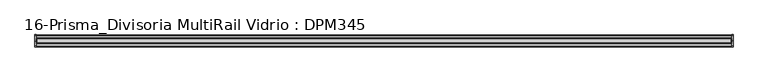
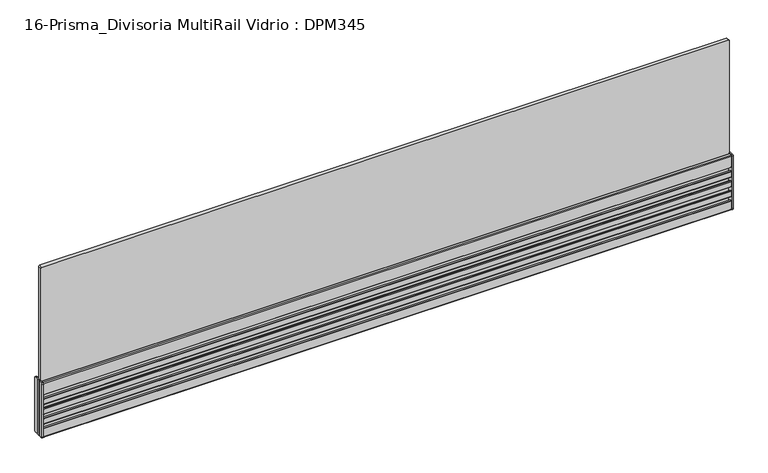
"""IFC4 building model written with IfcOpenShell, lengths in millimetres: furniture geometry, 16-Prisma_Divisoria MultiRail Vidrio : DPM345."""

from ifc_helpers import new_model, si_unit, point, frame, frame_2d, origin, place, context, project, spatial, polyline, circle_curve, trimmed, segment, composite_curve, outline, extrude, source, transform, mapped, element, save
from ifc_brep_helpers import plane_surface, cylinder_surface, revolved_surface, advanced_brep


def furniture_16_prisma_divisoria_multirail_vidrio_dpm345_53dc9daa(model_context):
    return source(origin(), model_context, "Body", "SolidModel", [
        advanced_brep(
        [(-747.5, -11.25, 125.5), (-747.5, -13.25, 123.5), (-747.5, -13.25, 2.0), (-747.5, -11.25, 0.0), (-747.5, 0.0, 0.0), (-747.5, 11.25, 0.0), (-747.5, 13.25, 2.0), (-747.5, 13.25, 123.5), (-747.5, 11.25, 125.5), (-747.5, 0.0, 125.5), (-750.5, 11.25, 125.5), (-750.5, 13.25, 123.5), (-750.5, 13.25, 2.0), (-750.5, 11.25, 0.0), (-750.5, 5.25, 0.0), (-750.5, 5.25, 125.5), (-750.5, -11.25, 0.0), (-750.5, -13.25, 2.0), (-750.5, -13.25, 123.5), (-750.5, -11.25, 125.5), (-750.5, -5.25, 125.5), (-750.5, -5.25, 0.0), (-750.5, -3.75, 125.5), (-750.5, 0.0, 125.5), (-750.5, 3.75, 125.5), (-750.5, 3.75, 0.0), (-750.5, 0.0, 0.0), (-750.5, -3.75, 0.0)],
        [
            (0, 1, circle_curve(frame((-747.5, -11.25, 123.5), z_axis=(1.0, 0.0, 0.0), x_axis=(0.0, 1.0, 0.0)), 2.0)),
            (1, 2),
            (2, 3, circle_curve(frame((-747.5, -11.25, 2.0), z_axis=(1.0, 0.0, 0.0), x_axis=(0.0, 1.0, 0.0)), 2.0)),
            (3, 4),
            (4, 5),
            (5, 6, circle_curve(frame((-747.5, 11.25, 2.0), z_axis=(1.0, 0.0, 0.0), x_axis=(0.0, -1.0, 0.0)), 2.0)),
            (6, 7),
            (7, 8, circle_curve(frame((-747.5, 11.25, 123.5), z_axis=(1.0, 0.0, 0.0), x_axis=(0.0, -1.0, 0.0)), 2.0)),
            (8, 9),
            (9, 0),
            (10, 11, circle_curve(frame((-750.5, 11.25, 123.5), z_axis=(-1.0, 0.0, 0.0), x_axis=(0.0, -1.0, 0.0)), 2.0)),
            (11, 12),
            (12, 13, circle_curve(frame((-750.5, 11.25, 2.0), z_axis=(-1.0, 0.0, 0.0), x_axis=(0.0, -1.0, 0.0)), 2.0)),
            (13, 14),
            (14, 15),
            (15, 10),
            (16, 17, circle_curve(frame((-750.5, -11.25, 2.0), z_axis=(-1.0, 0.0, 0.0), x_axis=(0.0, 1.0, 0.0)), 2.0)),
            (17, 18),
            (18, 19, circle_curve(frame((-750.5, -11.25, 123.5), z_axis=(-1.0, 0.0, 0.0), x_axis=(0.0, 1.0, 0.0)), 2.0)),
            (19, 20),
            (20, 21),
            (21, 16),
            (22, 23),
            (23, 24),
            (24, 25),
            (25, 26),
            (26, 27),
            (27, 22),
            (0, 19),
            (18, 1),
            (17, 2),
            (16, 3),
            (21, 27, circle_curve(frame((-751.1614378, -4.5, 0.0), z_axis=(0.0, 0.0, 1.0), x_axis=(0.0, 1.0, 0.0)), 1.0)),
            (26, 4),
            (25, 14, circle_curve(frame((-751.1614378, 4.5, 0.0), z_axis=(0.0, 0.0, 1.0), x_axis=(0.0, 1.0, 0.0)), 1.0)),
            (13, 5),
            (12, 6),
            (11, 7),
            (10, 8),
            (15, 24, circle_curve(frame((-751.1614378, 4.5, 125.5), z_axis=(0.0, 0.0, -1.0), x_axis=(0.0, 1.0, 0.0)), 1.0)),
            (23, 9),
            (22, 20, circle_curve(frame((-751.1614378, -4.5, 125.5), z_axis=(0.0, 0.0, -1.0), x_axis=(0.0, 1.0, 0.0)), 1.0)),
        ],
        [
            plane_surface(frame((-747.5, -9.25, 123.5), z_axis=(1.0, 0.0, 0.0), x_axis=(0.0, 0.0, 1.0))),
            plane_surface(frame((-750.5, -9.25, 123.5), z_axis=(-1.0, 0.0, 0.0), x_axis=(0.0, 0.0, -1.0))),
            cylinder_surface(frame((-750.5, -11.25, 123.5), z_axis=(1.0, 0.0, 0.0), x_axis=(0.0, 1.0, 0.0)), 2.0),
            plane_surface(frame((-747.5, -13.25, 123.5), z_axis=(0.0, -1.0, 0.0), x_axis=(-1.0, 0.0, 0.0))),
            cylinder_surface(frame((-750.5, -11.25, 2.0), z_axis=(1.0, 0.0, 0.0), x_axis=(0.0, 1.0, 0.0)), 2.0),
            plane_surface(frame((-747.5, -11.25, 0.0), z_axis=(0.0, 0.0, -1.0), x_axis=(-1.0, 0.0, 0.0))),
            plane_surface(frame((-747.5, 0.0, 0.0), z_axis=(0.0, 0.0, -1.0), x_axis=(-1.0, 0.0, 0.0))),
            cylinder_surface(frame((-750.5, 11.25, 2.0), z_axis=(1.0, 0.0, 0.0), x_axis=(0.0, -1.0, 0.0)), 2.0),
            plane_surface(frame((-747.5, 13.25, 2.0), z_axis=(0.0, 1.0, -6.587285038427298e-12), x_axis=(-1.0, 0.0, 0.0))),
            cylinder_surface(frame((-750.5, 11.25, 123.5), z_axis=(1.0, 0.0, 0.0), x_axis=(0.0, -1.0, 0.0)), 2.0),
            plane_surface(frame((-747.5, 11.25, 125.5), z_axis=(0.0, 0.0, 1.0), x_axis=(-1.0, 0.0, 0.0))),
            plane_surface(frame((-747.5, 0.0, 125.5), z_axis=(0.0, 0.0, 1.0), x_axis=(-1.0, 0.0, 0.0))),
            revolved_surface(polyline([(-751.1614378, 5.5, 125.5), (-751.1614378, 5.5, 0.0)]), (-751.1614378, 4.5, -26.25), (0.0, 0.0, 1.0)),
            revolved_surface(polyline([(-751.1614378, -3.5, 125.5), (-751.1614378, -3.5, 0.0)]), (-751.1614378, -4.5, 73.75), (0.0, 0.0, 1.0)),
        ],
        [
            (0, [[1, 2, 3, 4, 5, 6, 7, 8, 9, 10]]),
            (1, [[11, 12, 13, 14, 15, 16]]),
            (1, [[17, 18, 19, 20, 21, 22]]),
            (1, [[23, 24, 25, 26, 27, 28]]),
            (2, [[-1, 29, -19, 30]]),
            (3, [[-2, -30, -18, 31]]),
            (4, [[-3, -31, -17, 32]]),
            (5, [[-4, -32, -22, 33, -27, 34]]),
            (6, [[-5, -34, -26, 35, -14, 36]]),
            (7, [[-6, -36, -13, 37]]),
            (8, [[-7, -37, -12, 38]]),
            (9, [[-8, -38, -11, 39]]),
            (10, [[-9, -39, -16, 40, -24, 41]]),
            (11, [[-10, -41, -23, 42, -20, -29]]),
            (12, [[-15, -35, -25, -40]]),
            (13, [[-28, -33, -21, -42]]),
        ],
    ),
        advanced_brep(
        [(747.5, 11.25, 125.5), (747.5, 13.25, 123.5), (747.5, 13.25, 2.0), (747.5, 11.25, 0.0), (747.5, 0.0, 0.0), (747.5, -11.25, 0.0), (747.5, -13.25, 2.0), (747.5, -13.25, 123.5), (747.5, -11.25, 125.5), (747.5, 0.0, 125.5), (750.5, -11.25, 125.5), (750.5, -13.25, 123.5), (750.5, -13.25, 2.0), (750.5, -11.25, 0.0), (750.5, -5.25, 0.0), (750.5, -5.25, 125.5), (750.5, 11.25, 0.0), (750.5, 13.25, 2.0), (750.5, 13.25, 123.5), (750.5, 11.25, 125.5), (750.5, 5.25, 125.5), (750.5, 5.25, 0.0), (750.5, 3.75, 125.5), (750.5, 0.0, 125.5), (750.5, -3.75, 125.5), (750.5, -3.75, 0.0), (750.5, 0.0, 0.0), (750.5, 3.75, 0.0)],
        [
            (0, 1, circle_curve(frame((747.5, 11.25, 123.5), z_axis=(-1.0, 0.0, 0.0), x_axis=(0.0, -1.0000000000000004, 0.0)), 2.0)),
            (1, 2),
            (2, 3, circle_curve(frame((747.5, 11.25, 2.0), z_axis=(-1.0, 0.0, 0.0), x_axis=(0.0, -1.0000000000000004, 0.0)), 2.0)),
            (3, 4),
            (4, 5),
            (5, 6, circle_curve(frame((747.5, -11.25, 2.0), z_axis=(-1.0, 0.0, 0.0), x_axis=(0.0, 1.0000000000000004, 0.0)), 2.0)),
            (6, 7),
            (7, 8, circle_curve(frame((747.5, -11.25, 123.5), z_axis=(-1.0, 0.0, 0.0), x_axis=(0.0, 1.0000000000000004, 0.0)), 2.0)),
            (8, 9),
            (9, 0),
            (10, 11, circle_curve(frame((750.5, -11.25, 123.5), z_axis=(1.0, 0.0, 0.0), x_axis=(0.0, 1.0000000000000004, 0.0)), 2.0)),
            (11, 12),
            (12, 13, circle_curve(frame((750.5, -11.25, 2.0), z_axis=(1.0, 0.0, 0.0), x_axis=(0.0, 1.0000000000000004, 0.0)), 2.0)),
            (13, 14),
            (14, 15),
            (15, 10),
            (16, 17, circle_curve(frame((750.5, 11.25, 2.0), z_axis=(1.0, 0.0, 0.0), x_axis=(0.0, -1.0000000000000004, 0.0)), 2.0)),
            (17, 18),
            (18, 19, circle_curve(frame((750.5, 11.25, 123.5), z_axis=(1.0, 0.0, 0.0), x_axis=(0.0, -1.0000000000000004, 0.0)), 2.0)),
            (19, 20),
            (20, 21),
            (21, 16),
            (22, 23),
            (23, 24),
            (24, 25),
            (25, 26),
            (26, 27),
            (27, 22),
            (0, 19),
            (18, 1),
            (17, 2),
            (16, 3),
            (21, 27, circle_curve(frame((751.1614378, 4.5, 0.0), z_axis=(0.0, 0.0, 1.0), x_axis=(0.0, -1.0000000000000004, 0.0)), 1.0)),
            (26, 4),
            (25, 14, circle_curve(frame((751.1614378, -4.5, 0.0), z_axis=(0.0, 0.0, 1.0), x_axis=(0.0, -1.0000000000000004, 0.0)), 1.0)),
            (13, 5),
            (12, 6),
            (11, 7),
            (10, 8),
            (15, 24, circle_curve(frame((751.1614378, -4.5, 125.5), z_axis=(0.0, 0.0, -1.0), x_axis=(0.0, -1.0000000000000004, 0.0)), 1.0)),
            (23, 9),
            (22, 20, circle_curve(frame((751.1614378, 4.5, 125.5), z_axis=(0.0, 0.0, -1.0), x_axis=(0.0, -1.0000000000000004, 0.0)), 1.0)),
        ],
        [
            plane_surface(frame((747.5, 9.25, 123.5), z_axis=(-1.0, 0.0, 0.0), x_axis=(0.0, 0.0, 1.0))),
            plane_surface(frame((750.5, 9.25, 123.5), z_axis=(1.0, 0.0, 0.0), x_axis=(0.0, 0.0, -1.0))),
            cylinder_surface(frame((750.5, 11.25, 123.5), z_axis=(-1.0000000000000004, 0.0, 0.0), x_axis=(0.0, -1.0000000000000004, 0.0)), 2.0),
            plane_surface(frame((747.5, 13.25, 123.5), z_axis=(0.0, 1.0, 0.0), x_axis=(1.0, 0.0, 0.0))),
            cylinder_surface(frame((750.5, 11.25, 2.0), z_axis=(-1.0000000000000004, 0.0, 0.0), x_axis=(0.0, -1.0000000000000004, 0.0)), 2.0),
            plane_surface(frame((747.5, 11.25, 0.0), z_axis=(0.0, 0.0, -1.0), x_axis=(1.0, 0.0, 0.0))),
            plane_surface(frame((747.5, 0.0, 0.0), z_axis=(0.0, 0.0, -1.0), x_axis=(1.0, 0.0, 0.0))),
            cylinder_surface(frame((750.5, -11.25, 2.0), z_axis=(-1.0000000000000004, 0.0, 0.0), x_axis=(0.0, 1.0000000000000004, 0.0)), 2.0),
            plane_surface(frame((747.5, -13.25, 2.0), z_axis=(0.0, -1.0, -6.587285038427301e-12), x_axis=(1.0, 0.0, 0.0))),
            cylinder_surface(frame((750.5, -11.25, 123.5), z_axis=(-1.0000000000000004, 0.0, 0.0), x_axis=(0.0, 1.0000000000000004, 0.0)), 2.0),
            plane_surface(frame((747.5, -11.25, 125.5), z_axis=(0.0, 0.0, 1.0), x_axis=(1.0, 0.0, 0.0))),
            plane_surface(frame((747.5, 0.0, 125.5), z_axis=(0.0, 0.0, 1.0), x_axis=(1.0, 0.0, 0.0))),
            revolved_surface(polyline([(751.1614378, -5.5, 125.5), (751.1614378, -5.5, 0.0)]), (751.1614378, -4.5, -26.25), (0.0, 0.0, 1.0)),
            revolved_surface(polyline([(751.1614378, 3.4999999999999996, 125.5), (751.1614378, 3.4999999999999996, 0.0)]), (751.1614378, 4.5, 73.75), (0.0, 0.0, 1.0)),
        ],
        [
            (0, [[1, 2, 3, 4, 5, 6, 7, 8, 9, 10]]),
            (1, [[11, 12, 13, 14, 15, 16]]),
            (1, [[17, 18, 19, 20, 21, 22]]),
            (1, [[23, 24, 25, 26, 27, 28]]),
            (2, [[-1, 29, -19, 30]]),
            (3, [[-2, -30, -18, 31]]),
            (4, [[-3, -31, -17, 32]]),
            (5, [[-4, -32, -22, 33, -27, 34]]),
            (6, [[-5, -34, -26, 35, -14, 36]]),
            (7, [[-6, -36, -13, 37]]),
            (8, [[-7, -37, -12, 38]]),
            (9, [[-8, -38, -11, 39]]),
            (10, [[-9, -39, -16, 40, -24, 41]]),
            (11, [[-10, -41, -23, 42, -20, -29]]),
            (12, [[-15, -35, -25, -40]]),
            (13, [[-28, -33, -21, -42]]),
        ],
    ),
        extrude(outline(composite_curve([segment(trimmed(circle_curve(frame_2d((-12.0, 20.25)), 1.0), [point((-13.0, 20.25))], [point((-12.0, 21.25))], False, "CARTESIAN"), True, "CONTINUOUS"), segment(polyline([(-12.0, 21.25), (-9.2004126, 21.25), (-9.2004126, 15.25), (-1.7500068, 15.25), (-1.7500068, 36.25), (-9.2004126, 36.25), (-9.2004126, 30.25), (-12.0, 30.25)]), True, "CONTINUOUS"), segment(trimmed(circle_curve(frame_2d((-12.0, 31.25)), 1.0), [point((-12.0, 30.25))], [point((-13.0, 31.25))], False, "CARTESIAN"), True, "CONTINUOUS"), segment(polyline([(-13.0, 31.25), (-13.0, 42.75)]), True, "CONTINUOUS"), segment(trimmed(circle_curve(frame_2d((-12.0, 42.75)), 1.0), [point((-13.0, 42.75))], [point((-12.0, 43.75))], False, "CARTESIAN"), True, "CONTINUOUS"), segment(polyline([(-12.0, 43.75), (-9.2004126, 43.75), (-9.2004126, 37.75), (-1.7500068, 37.75), (-1.7500068, 58.75), (-9.2004126, 58.75), (-9.2004126, 52.75), (-12.0, 52.75)]), True, "CONTINUOUS"), segment(trimmed(circle_curve(frame_2d((-12.0, 53.75)), 1.0), [point((-12.0, 52.75))], [point((-13.0, 53.75))], False, "CARTESIAN"), True, "CONTINUOUS"), segment(polyline([(-13.0, 53.75), (-13.0, 65.25)]), True, "CONTINUOUS"), segment(trimmed(circle_curve(frame_2d((-12.0, 65.25)), 1.0), [point((-13.0, 65.25))], [point((-12.0, 66.25))], False, "CARTESIAN"), True, "CONTINUOUS"), segment(polyline([(-12.0, 66.25), (-9.2004126, 66.25), (-9.2004126, 60.25), (-1.7500068, 60.25), (-1.7500068, 81.25), (-9.2004126, 81.25), (-9.2004126, 75.25), (-12.0, 75.25)]), True, "CONTINUOUS"), segment(trimmed(circle_curve(frame_2d((-12.0, 76.25)), 1.0), [point((-12.0, 75.25))], [point((-13.0, 76.25))], False, "CARTESIAN"), True, "CONTINUOUS"), segment(polyline([(-13.0, 76.25), (-13.0, 87.75)]), True, "CONTINUOUS"), segment(trimmed(circle_curve(frame_2d((-12.0, 87.75)), 1.0), [point((-13.0, 87.75))], [point((-12.0, 88.75))], False, "CARTESIAN"), True, "CONTINUOUS"), segment(polyline([(-12.0, 88.75), (-9.2004126, 88.75), (-9.2004126, 82.75), (-1.7500068, 82.75), (-1.7500068, 103.75), (-9.2004126, 103.75), (-9.2004126, 97.75), (-12.0, 97.75)]), True, "CONTINUOUS"), segment(trimmed(circle_curve(frame_2d((-12.0, 98.75)), 1.0), [point((-12.0, 97.75))], [point((-13.0, 98.75))], False, "CARTESIAN"), True, "CONTINUOUS"), segment(polyline([(-13.0, 98.75), (-13.0, 123.25)]), True, "CONTINUOUS"), segment(trimmed(circle_curve(frame_2d((-11.0, 123.25)), 2.0), [point((-13.0, 123.25))], [point((-11.0, 125.25))], False, "CARTESIAN"), True, "CONTINUOUS"), segment(polyline([(-11.0, 125.25), (-6.0, 125.25)]), True, "CONTINUOUS"), segment(trimmed(circle_curve(frame_2d((-6.0, 124.75)), 0.5), [point((-6.0, 125.25))], [point((-5.5, 124.75))], False, "CARTESIAN"), True, "CONTINUOUS"), segment(polyline([(-5.5, 124.75), (-5.5, 105.25), (0.0, 105.25), (5.5, 105.25), (5.5, 124.75)]), True, "CONTINUOUS"), segment(trimmed(circle_curve(frame_2d((6.0, 124.75)), 0.5), [point((5.5, 124.75))], [point((6.0, 125.25))], False, "CARTESIAN"), True, "CONTINUOUS"), segment(polyline([(6.0, 125.25), (11.0, 125.25)]), True, "CONTINUOUS"), segment(trimmed(circle_curve(frame_2d((11.0, 123.25)), 2.0), [point((11.0, 125.25))], [point((13.0, 123.25))], False, "CARTESIAN"), True, "CONTINUOUS"), segment(polyline([(13.0, 123.25), (13.0, 98.75)]), True, "CONTINUOUS"), segment(trimmed(circle_curve(frame_2d((12.0, 98.75)), 1.0), [point((13.0, 98.75))], [point((12.0, 97.75))], False, "CARTESIAN"), True, "CONTINUOUS"), segment(polyline([(12.0, 97.75), (9.2004126, 97.75), (9.2004126, 103.75), (1.7500068, 103.75), (1.7500068, 82.75), (9.2004126, 82.75), (9.2004126, 88.75), (12.0, 88.75)]), True, "CONTINUOUS"), segment(trimmed(circle_curve(frame_2d((12.0, 87.75)), 1.0), [point((12.0, 88.75))], [point((13.0, 87.75))], False, "CARTESIAN"), True, "CONTINUOUS"), segment(polyline([(13.0, 87.75), (13.0, 76.25)]), True, "CONTINUOUS"), segment(trimmed(circle_curve(frame_2d((12.0, 76.25)), 1.0), [point((13.0, 76.25))], [point((12.0, 75.25))], False, "CARTESIAN"), True, "CONTINUOUS"), segment(polyline([(12.0, 75.25), (9.2004126, 75.25), (9.2004126, 81.25), (1.7500068, 81.25), (1.7500068, 60.25), (9.2004126, 60.25), (9.2004126, 66.25), (12.0, 66.25)]), True, "CONTINUOUS"), segment(trimmed(circle_curve(frame_2d((12.0, 65.25)), 1.0), [point((12.0, 66.25))], [point((13.0, 65.25))], False, "CARTESIAN"), True, "CONTINUOUS"), segment(polyline([(13.0, 65.25), (13.0, 53.75)]), True, "CONTINUOUS"), segment(trimmed(circle_curve(frame_2d((12.0, 53.75)), 1.0), [point((13.0, 53.75))], [point((12.0, 52.75))], False, "CARTESIAN"), True, "CONTINUOUS"), segment(polyline([(12.0, 52.75), (9.2004126, 52.75), (9.2004126, 58.75), (1.7500068, 58.75), (1.7500068, 37.75), (9.2004126, 37.75), (9.2004126, 43.75), (12.0, 43.75)]), True, "CONTINUOUS"), segment(trimmed(circle_curve(frame_2d((12.0, 42.75)), 1.0), [point((12.0, 43.75))], [point((13.0, 42.75))], False, "CARTESIAN"), True, "CONTINUOUS"), segment(polyline([(13.0, 42.75), (13.0, 31.25)]), True, "CONTINUOUS"), segment(trimmed(circle_curve(frame_2d((12.0, 31.25)), 1.0), [point((13.0, 31.25))], [point((12.0, 30.25))], False, "CARTESIAN"), True, "CONTINUOUS"), segment(polyline([(12.0, 30.25), (9.2004126, 30.25), (9.2004126, 36.25), (1.7500068, 36.25), (1.7500068, 15.25), (9.2004126, 15.25), (9.2004126, 21.25), (12.0, 21.25)]), True, "CONTINUOUS"), segment(trimmed(circle_curve(frame_2d((12.0, 20.25)), 1.0), [point((12.0, 21.25))], [point((13.0, 20.25))], False, "CARTESIAN"), True, "CONTINUOUS"), segment(polyline([(13.0, 20.25), (13.0, 2.25)]), True, "CONTINUOUS"), segment(trimmed(circle_curve(frame_2d((11.0, 2.25)), 2.0), [point((13.0, 2.25))], [point((11.0, 0.25))], False, "CARTESIAN"), True, "CONTINUOUS"), segment(polyline([(11.0, 0.25), (0.0, 0.25), (-11.0, 0.25)]), True, "CONTINUOUS"), segment(trimmed(circle_curve(frame_2d((-11.0, 2.25)), 2.0), [point((-11.0, 0.25))], [point((-13.0, 2.25))], False, "CARTESIAN"), True, "CONTINUOUS"), segment(polyline([(-13.0, 2.25), (-13.0, 20.25)]), True, "CONTINUOUS")], self_intersect=False)), frame((-747.5, 0.0, 0.0), z_axis=(1.0, 0.0, 0.0), x_axis=(0.0, 1.0, 0.0)), (0.0, 0.0, 1.0), 1495.0),
        extrude(outline(composite_curve([segment(polyline([(385.25, 745.5), (385.25, -745.5)]), True, "CONTINUOUS"), segment(trimmed(circle_curve(frame_2d((383.25, -745.5)), 2.0), [point((385.25, -745.5))], [point((383.25, -747.5))], False, "CARTESIAN"), True, "CONTINUOUS"), segment(polyline([(383.25, -747.5), (107.25, -747.5)]), True, "CONTINUOUS"), segment(trimmed(circle_curve(frame_2d((107.25, -745.5)), 2.0), [point((107.25, -747.5))], [point((105.25, -745.5))], False, "CARTESIAN"), True, "CONTINUOUS"), segment(polyline([(105.25, -745.5), (105.25, 745.5)]), True, "CONTINUOUS"), segment(trimmed(circle_curve(frame_2d((107.25, 745.5)), 2.0), [point((105.25, 745.5))], [point((107.25, 747.5))], False, "CARTESIAN"), True, "CONTINUOUS"), segment(polyline([(107.25, 747.5), (383.25, 747.5)]), True, "CONTINUOUS"), segment(trimmed(circle_curve(frame_2d((383.25, 745.5)), 2.0), [point((383.25, 747.5))], [point((385.25, 745.5))], False, "CARTESIAN"), True, "CONTINUOUS")], self_intersect=False)), frame((0.0, -4.0, 0.0), z_axis=(0.0, 1.0, 0.0), x_axis=(0.0, 0.0, 1.0)), (0.0, 0.0, 1.0), 8.0),
    ])


if __name__ == "__main__":
    model = new_model("IFC4")
    model_context = context("Model", 3, world=origin())
    ifc_project = project(units=[si_unit("LENGTHUNIT", "METRE", prefix="MILLI")], contexts=[model_context])
    site = spatial("IfcSite", under=ifc_project)
    building = spatial("IfcBuilding", under=site)
    placement = place(None, origin())
    furniture_16_prisma_divisoria_multirail_vidrio_dpm345_shape = furniture_16_prisma_divisoria_multirail_vidrio_dpm345_53dc9daa(model_context)
    element("IfcFurniture", 1, ObjectType="16-Prisma_Divisoria MultiRail Vidrio : DPM345", at=placement, inside=building, context=model_context, shape_type="MappedRepresentation", body=[
        mapped(furniture_16_prisma_divisoria_multirail_vidrio_dpm345_shape, transform((0.0, 0.0, 0.0), x_axis=(1.0, 0.0, 0.0), y_axis=(0.0, 1.0, 0.0), z_axis=(0.0, 0.0, 1.0))),
    ])
    save(model, "model.ifc")
